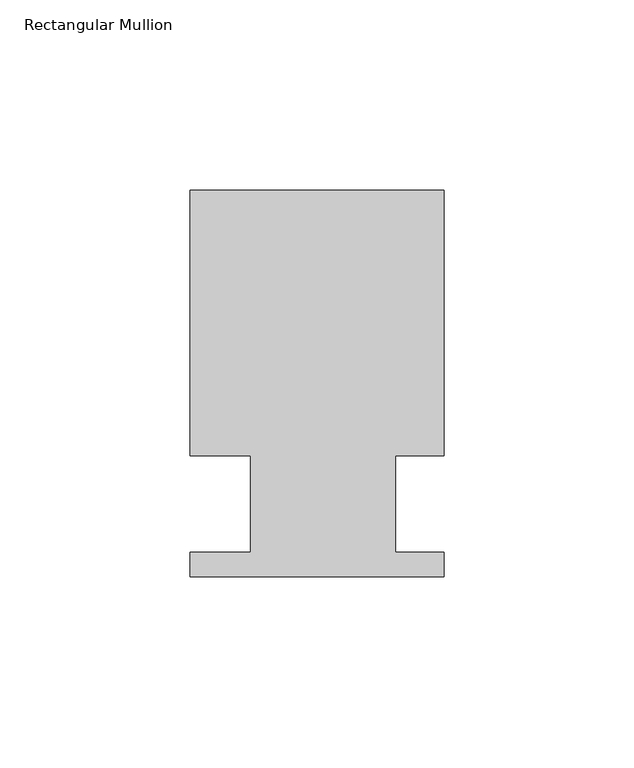
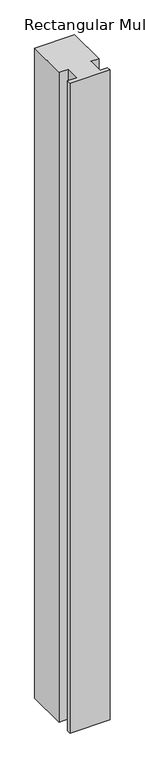
"""IFC4 building model written with IfcOpenShell, lengths in millimetres: member geometry, Rectangular Mullion."""

from ifc_helpers import new_model, si_unit, frame, origin, place, context, project, spatial, polyline, outline, extrude, source, transform, mapped, element, save


def rectangular_mullion_0c462129(model_context):
    return source(origin(), model_context, "Body", "SweptSolid", [
        extrude(outline(polyline([(33.3375, 50.8), (33.3375, -18.923), (20.637798, -18.923), (20.637798, -44.323), (33.3375, -44.323), (33.3375, -50.8), (-33.3375, -50.8), (-33.3375, -44.323), (-17.462202, -44.323), (-17.462202, -18.923), (-33.3375, -18.923), (-33.3375, 50.8), (33.3375, 50.8)])), frame((0.0, 0.0, -1145.1166667), z_axis=(0.0, 0.0, 1.0), x_axis=(1.0, 0.0, 0.0)), (0.0, 0.0, 1.0), 1145.1166667),
    ])


if __name__ == "__main__":
    model = new_model("IFC4")
    model_context = context("Model", 3, world=origin())
    ifc_project = project(units=[si_unit("LENGTHUNIT", "METRE", prefix="MILLI")], contexts=[model_context])
    site = spatial("IfcSite", under=ifc_project)
    building = spatial("IfcBuilding", under=site)
    placement = place(None, origin())
    rectangular_mullion_shape = rectangular_mullion_0c462129(model_context)
    element("IfcMember", 1, ObjectType="Rectangular Mullion", at=placement, inside=building, context=model_context, shape_type="MappedRepresentation", body=[
        mapped(rectangular_mullion_shape, transform((0.0, 0.0, 0.0), x_axis=(1.0, 0.0, 0.0), y_axis=(0.0, 1.0, 0.0), z_axis=(0.0, 0.0, 1.0))),
    ])
    save(model, "model.ifc")
